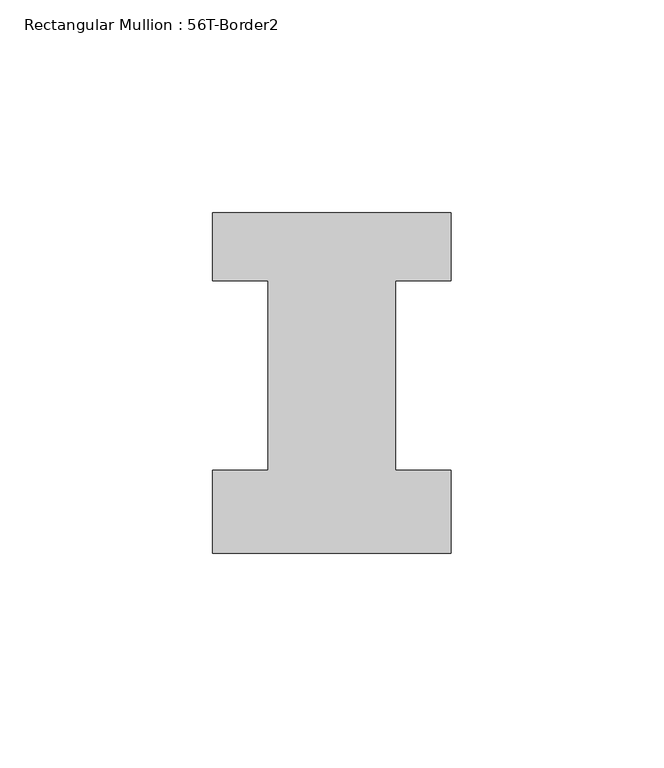
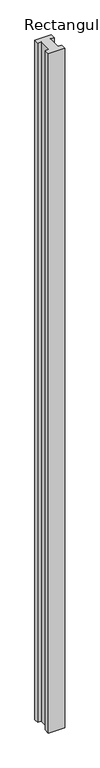
"""IFC4 building model written with IfcOpenShell, lengths in millimetres: member geometry, Rectangular Mullion : 56T-Border2."""

import ifcopenshell
import ifcopenshell.guid

model = None  # the IFC model being written
_history = None  # IfcOwnerHistory: only IFC2X3 demands one
_inside = {}  # id of a spatial element -> (the spatial element, [elements in it])
_under = {}  # id of a project, library or spatial element -> (it, [spatial elements below it])
_declared = {}  # id of a project -> (the project, [libraries it declares])
_typed = {}  # id of a type object -> (the type object, [elements of that type])
_made_of = {}  # id of a material, layer set ... -> (it, [elements and type objects made of it])


def new_model(schema):
    """Start an empty IFC model of exactly this schema.

    Asked for "IFC4X3", IfcOpenShell would pick the latest addendum, in which some entities
    have other attributes; the version numbers below select the first issue.
    IFC2X3 requires an IfcOwnerHistory on every rooted entity: one is made here for all.
    """
    global model, _history
    if schema == "IFC4X3":
        model = ifcopenshell.file(schema_version=(4, 3, 0, 0))
    else:
        model = ifcopenshell.file(schema=schema)
    _inside.clear()
    _under.clear()
    _declared.clear()
    _typed.clear()
    _made_of.clear()
    _history = None
    if model.schema == "IFC2X3":
        org = make("IfcOrganization", Name="unknown")
        user = make(
            "IfcPersonAndOrganization",
            ThePerson=make("IfcPerson", FamilyName="unknown"),
            TheOrganization=org,
        )
        app = make(
            "IfcApplication",
            ApplicationDeveloper=org,
            Version="unknown",
            ApplicationFullName="unknown",
            ApplicationIdentifier="unknown",
        )
        _history = make(
            "IfcOwnerHistory",
            OwningUser=user,
            OwningApplication=app,
            ChangeAction="ADDED",
            CreationDate=0,
        )
    return model


def make(cls, **values):
    """One entity of the class cls with the attributes given. An attribute that is None is left unset."""
    return model.create_entity(
        cls, **{name: value for name, value in values.items() if value is not None}
    )


def rooted(cls, **values):
    """An entity with a GlobalId (a new one), such as an element, a storey or a relation."""
    return make(cls, GlobalId=ifcopenshell.guid.new(), OwnerHistory=_history, **values)


def si_unit(unit_type, name, prefix=None):
    """IfcSIUnit, for example si_unit("LENGTHUNIT", "METRE", prefix="MILLI")."""
    return make("IfcSIUnit", UnitType=unit_type, Prefix=prefix, Name=name)


def assignment(units):
    """IfcUnitAssignment: the units of a project."""
    return None if units is None else make("IfcUnitAssignment", Units=units)


def point(xyz):
    """IfcCartesianPoint."""
    return None if xyz is None else make("IfcCartesianPoint", Coordinates=xyz)


def direction(xyz):
    """IfcDirection."""
    return None if xyz is None else make("IfcDirection", DirectionRatios=xyz)


def frame(location, z_axis=None, x_axis=None):
    """IfcAxis2Placement3D, a coordinate frame: its origin and axes. An axis left out is left unset."""
    return make(
        "IfcAxis2Placement3D",
        Location=point(location),
        Axis=direction(z_axis),
        RefDirection=direction(x_axis),
    )


def origin():
    """The frame at (0, 0, 0) with its axes left unset."""
    return frame((0.0, 0.0, 0.0))


def place(relative_to, where):
    """IfcLocalPlacement: puts the frame where relative to a parent placement (None: the world)."""
    return make(
        "IfcLocalPlacement", PlacementRelTo=relative_to, RelativePlacement=where
    )


def context(
    kind, dimensions, precision=None, world=None, true_north=None, identifier=None
):
    """IfcGeometricRepresentationContext, for example the 3D "Model" context."""
    return make(
        "IfcGeometricRepresentationContext",
        ContextIdentifier=identifier,
        ContextType=kind,
        CoordinateSpaceDimension=dimensions,
        Precision=precision,
        WorldCoordinateSystem=world,
        TrueNorth=true_north,
    )


def project(units=None, contexts=None):
    """IfcProject with its units and contexts."""
    return rooted(
        "IfcProject",
        Name="project",
        RepresentationContexts=contexts,
        UnitsInContext=assignment(units),
    )


def spatial(cls, under=None, at=None, **own):
    """A site, building, storey or space (cls), placed at a placement, below another one or the project."""
    s = rooted(cls, ObjectPlacement=at, **own)
    if under is not None:
        _under.setdefault(under.id(), (under, []))[1].append(s)
    return s


def polyline(points):
    """IfcPolyline through the points."""
    return make("IfcPolyline", Points=[point(p) for p in points])


def outline(outer, holes=None, kind="AREA"):
    """IfcArbitraryClosedProfileDef: a profile drawn as a closed curve; with holes, ...WithVoids."""
    if holes is None:
        return make("IfcArbitraryClosedProfileDef", ProfileType=kind, OuterCurve=outer)
    return make(
        "IfcArbitraryProfileDefWithVoids",
        ProfileType=kind,
        OuterCurve=outer,
        InnerCurves=holes,
    )


def extrude(swept, where, along, depth):
    """IfcExtrudedAreaSolid: the profile swept, set in the frame where, extruded along a direction by depth."""
    return make(
        "IfcExtrudedAreaSolid",
        SweptArea=swept,
        Position=where,
        ExtrudedDirection=direction(along),
        Depth=depth,
    )


def shape(context_of_items, identifier, shape_type, items):
    """IfcShapeRepresentation: the items that make up one representation, for example the "Body"."""
    return make(
        "IfcShapeRepresentation",
        ContextOfItems=context_of_items,
        RepresentationIdentifier=identifier,
        RepresentationType=shape_type,
        Items=items,
    )


def source(mapping_origin, context_of_items, identifier, shape_type, items):
    """IfcRepresentationMap: a shape defined once, which mapped items show again and again."""
    return make(
        "IfcRepresentationMap",
        MappingOrigin=mapping_origin,
        MappedRepresentation=shape(context_of_items, identifier, shape_type, items),
    )


def transform(
    local_origin,
    x_axis=None,
    y_axis=None,
    z_axis=None,
    scale=None,
    scale2=None,
    scale3=None,
    uniform=True,
):
    """IfcCartesianTransformationOperator3D, or its non-uniform kind. x_axis, y_axis, z_axis: its Axis1, 2, 3."""
    if uniform:
        return make(
            "IfcCartesianTransformationOperator3D",
            Axis1=direction(x_axis),
            Axis2=direction(y_axis),
            LocalOrigin=point(local_origin),
            Scale=scale,
            Axis3=direction(z_axis),
        )
    return make(
        "IfcCartesianTransformationOperator3DnonUniform",
        Axis1=direction(x_axis),
        Axis2=direction(y_axis),
        LocalOrigin=point(local_origin),
        Scale=scale,
        Axis3=direction(z_axis),
        Scale2=scale2,
        Scale3=scale3,
    )


def mapped(mapping_source, mapping_target):
    """IfcMappedItem: shows the shape of a source again, moved by a transform."""
    return make(
        "IfcMappedItem", MappingSource=mapping_source, MappingTarget=mapping_target
    )


def made_of(thing, what):
    """Note that an element or type object is made of a material, layer set ...; save() writes the relation."""
    if what is not None:
        _made_of.setdefault(what.id(), (what, []))[1].append(thing)
    return thing


def element(
    cls,
    number,
    at=None,
    inside=None,
    cuts=None,
    type_object=None,
    material=None,
    context=None,
    identifier="Body",
    shape_type=None,
    held_by="IfcProductDefinitionShape",
    body=None,
    shapes=None,
    **own,
):
    """One element of the class cls, such as IfcWall. Its Tag is "e" and its number.

    at: its placement. inside: the storey or other place that contains it. cuts: it is an
    opening in that element (IfcRelVoidsElement). A single representation is given by context,
    identifier, shape_type and body (its items); several are given by shapes. held_by: the class
    of the entity that holds the representations. save() writes the other relations.
    """
    e = rooted(cls, Tag="e%d" % number, ObjectPlacement=at, **own)
    if body is not None:
        shapes = [shape(context, identifier, shape_type, body)]
    if shapes is not None:
        e.Representation = make(held_by, Representations=shapes)
    if inside is not None:
        _inside.setdefault(inside.id(), (inside, []))[1].append(e)
    if cuts is not None:
        rooted(
            "IfcRelVoidsElement", RelatingBuildingElement=cuts, RelatedOpeningElement=e
        )
    if type_object is not None:
        _typed.setdefault(type_object.id(), (type_object, []))[1].append(e)
    return made_of(e, material)


def aggregate(whole, parts):
    """IfcRelAggregates: a whole, such as a stair, and the parts it consists of."""
    return rooted("IfcRelAggregates", RelatingObject=whole, RelatedObjects=parts)


def save(model, path):
    """Write the relations noted so far, then the file.

    IfcRelAggregates (storeys below a building ...), IfcRelContainedInSpatialStructure (elements
    in a storey), IfcRelDefinesByType, IfcRelAssociatesMaterial and IfcRelDeclares: one each for
    every whole, place, type object, material and project.
    """
    for whole, parts in _under.values():
        aggregate(whole, parts)
    for where, things in _inside.values():
        rooted(
            "IfcRelContainedInSpatialStructure",
            RelatedElements=things,
            RelatingStructure=where,
        )
    for kind, things in _typed.values():
        rooted("IfcRelDefinesByType", RelatedObjects=things, RelatingType=kind)
    for what, things in _made_of.values():
        rooted("IfcRelAssociatesMaterial", RelatedObjects=things, RelatingMaterial=what)
    for by, libraries in _declared.values():
        rooted("IfcRelDeclares", RelatingContext=by, RelatedDefinitions=libraries)
    model.write(path)


def rectangular_mullion_56t_border2_1cccbcc4(model_context):
    return source(origin(), model_context, "Body", "SweptSolid", [
        extrude(outline(polyline([(0.0, -20.0), (-56.0, -20.0), (-56.0, -0.5), (-43.0, -0.5), (-43.0, 44.0), (-56.0, 44.0), (-56.0, 60.0), (0.0, 60.0), (0.0, 44.0), (-13.0, 44.0), (-13.0, -0.5), (0.0, -0.5), (0.0, -20.0)])), frame((0.0, 0.0, -2444.0), z_axis=(0.0, 0.0, 1.0), x_axis=(1.0, 0.0, 0.0)), (0.0, 0.0, 1.0), 2444.0),
    ])


if __name__ == "__main__":
    model = new_model("IFC4")
    model_context = context("Model", 3, world=origin())
    ifc_project = project(units=[si_unit("LENGTHUNIT", "METRE", prefix="MILLI")], contexts=[model_context])
    site = spatial("IfcSite", under=ifc_project)
    building = spatial("IfcBuilding", under=site)
    placement = place(None, origin())
    rectangular_mullion_56t_border2_shape = rectangular_mullion_56t_border2_1cccbcc4(model_context)
    element("IfcMember", 1, ObjectType="Rectangular Mullion : 56T-Border2", at=placement, inside=building, context=model_context, shape_type="MappedRepresentation", body=[
        mapped(rectangular_mullion_56t_border2_shape, transform((0.0, 0.0, 0.0), x_axis=(1.0, 0.0, 0.0), y_axis=(0.0, 1.0, 0.0), z_axis=(0.0, 0.0, 1.0))),
    ])
    save(model, "model.ifc")
